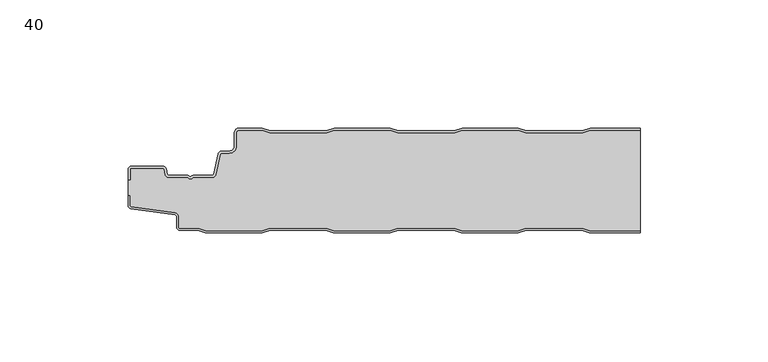
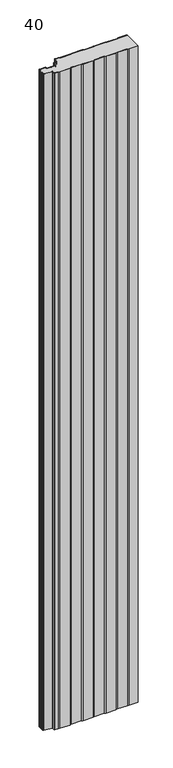
"""IFC4 building model written with IfcOpenShell, lengths in millimetres: plate geometry, 40."""

from ifc_helpers import new_model, si_unit, point, frame_2d, origin, origin_with_axes, place, context, project, spatial, polyline, circle_curve, trimmed, segment, composite_curve, outline, extrude, source, transform, mapped, element, save


def plate_40_c4e9f061(model_context):
    return source(origin(), model_context, "Body", "SweptSolid", [
        extrude(outline(composite_curve([segment(trimmed(circle_curve(frame_2d((-98.6, -16.2480681)), 1.4), [point((-100.0, -16.2480681))], [point((-98.6, -14.8480681))], False, "CARTESIAN"), True, "CONTINUOUS"), segment(polyline([(-98.6, -14.8480681), (-86.4969094, -14.8480681)]), True, "CONTINUOUS"), segment(trimmed(circle_curve(frame_2d((-86.4969094, -16.2480681)), 1.4), [point((-86.4969094, -14.8480681))], [point((-85.1275334, -15.9568477))], False, "CARTESIAN"), True, "CONTINUOUS"), segment(polyline([(-85.1275334, -15.9568477), (-84.6878192, -18.0244711)]), True, "CONTINUOUS"), segment(trimmed(circle_curve(frame_2d((-84.1011925, -17.8997153)), 0.5997457), [point((-84.6878192, -18.0244711))], [point((-84.1011925, -18.499461))], True, "CARTESIAN"), True, "CONTINUOUS"), segment(polyline([(-84.1011925, -18.499461), (-76.9006569, -18.499461)]), True, "CONTINUOUS"), segment(trimmed(circle_curve(frame_2d((-76.9006569, -19.799946)), 1.300485), [point((-76.9006569, -18.499461))], [point((-75.9808032, -18.8806362))], False, "CARTESIAN"), True, "CONTINUOUS"), segment(trimmed(circle_curve(frame_2d((-75.5877843, -18.5693125)), 0.5013845), [point((-75.9808032, -18.8806362))], [point((-75.2328971, -18.9234896))], True, "CARTESIAN"), True, "CONTINUOUS"), segment(trimmed(circle_curve(frame_2d((-74.2728751, -19.8002001)), 1.3001013), [point((-75.2328971, -18.9234896))], [point((-74.2728751, -18.5000988))], False, "CARTESIAN"), True, "CONTINUOUS"), segment(polyline([(-74.2728751, -18.5000988), (-67.0728572, -18.5000988)]), True, "CONTINUOUS"), segment(trimmed(circle_curve(frame_2d((-67.0728572, -17.9000522)), 0.6000466), [point((-67.0728572, -18.5000988))], [point((-66.4859224, -18.0248059))], True, "CARTESIAN"), True, "CONTINUOUS"), segment(polyline([(-66.4859224, -18.0248059), (-64.8033928, -10.1089305)]), True, "CONTINUOUS"), segment(trimmed(circle_curve(frame_2d((-63.4339847, -10.4)), 1.4), [point((-64.8033928, -10.1089305))], [point((-63.4339847, -9.0))], False, "CARTESIAN"), True, "CONTINUOUS"), segment(polyline([(-63.4339847, -9.0), (-60.4027062, -9.0)]), True, "CONTINUOUS"), segment(trimmed(circle_curve(frame_2d((-60.4027062, -7.1)), 1.9), [point((-60.4027062, -9.0))], [point((-58.5027062, -7.1))], True, "CARTESIAN"), True, "CONTINUOUS"), segment(polyline([(-58.5027062, -7.1), (-58.5027062, -2.0)]), True, "CONTINUOUS"), segment(trimmed(circle_curve(frame_2d((-56.5027062, -2.0)), 2.0), [point((-58.5027062, -2.0))], [point((-56.5027062, 0.0))], False, "CARTESIAN"), True, "CONTINUOUS"), segment(polyline([(-56.5027062, 0.0), (-47.5017452, 0.0), (-44.5017452, -1.0), (-22.5017452, -1.0), (-19.5017452, 0.0), (2.4982548, 0.0), (5.4982548, -1.0), (27.4982548, -1.0), (30.4982548, 0.0), (52.4982548, 0.0), (55.4982548, -1.0), (77.4982548, -1.0), (80.4982548, 0.0), (100.0, 0.0), (100.0, -0.8), (80.6280769, -0.8), (77.6280769, -1.8), (55.3684327, -1.8), (52.3684327, -0.8), (30.6280769, -0.8), (27.6280769, -1.8), (5.3684327, -1.8), (2.3684327, -0.8), (-19.3719231, -0.8), (-22.3719231, -1.8), (-44.6315673, -1.8), (-47.6315673, -0.8), (-56.5027062, -0.8)]), True, "CONTINUOUS"), segment(trimmed(circle_curve(frame_2d((-56.5027062, -2.0)), 1.2), [point((-56.5027062, -0.8))], [point((-57.7027062, -2.0))], True, "CARTESIAN"), True, "CONTINUOUS"), segment(polyline([(-57.7027062, -2.0), (-57.7027062, -7.1)]), True, "CONTINUOUS"), segment(trimmed(circle_curve(frame_2d((-60.4027062, -7.1)), 2.7), [point((-57.7027062, -7.1))], [point((-60.4027062, -9.8))], False, "CARTESIAN"), True, "CONTINUOUS"), segment(polyline([(-60.4027062, -9.8), (-63.4339847, -9.8)]), True, "CONTINUOUS"), segment(trimmed(circle_curve(frame_2d((-63.4339847, -10.4)), 0.6), [point((-63.4339847, -9.8))], [point((-64.0208733, -10.275253))], True, "CARTESIAN"), True, "CONTINUOUS"), segment(polyline([(-64.0208733, -10.275253), (-65.7034335, -18.1910764)]), True, "CONTINUOUS"), segment(trimmed(circle_curve(frame_2d((-67.0728401, -17.9)), 1.4), [point((-65.7034335, -18.1910764))], [point((-67.0728401, -19.3))], False, "CARTESIAN"), True, "CONTINUOUS"), segment(polyline([(-67.0728401, -19.3), (-74.5122154, -19.3)]), True, "CONTINUOUS"), segment(trimmed(circle_curve(frame_2d((-75.5869697, -18.5686292)), 1.3), [point((-74.5122154, -19.3))], [point((-76.6617239, -19.3))], False, "CARTESIAN"), True, "CONTINUOUS"), segment(polyline([(-76.6617239, -19.3), (-84.1010993, -19.3)]), True, "CONTINUOUS"), segment(trimmed(circle_curve(frame_2d((-84.1010993, -17.9)), 1.4), [point((-84.1010993, -19.3))], [point((-85.4705059, -18.1910764))], False, "CARTESIAN"), True, "CONTINUOUS"), segment(polyline([(-85.4705059, -18.1910764), (-85.9100208, -16.1233211)]), True, "CONTINUOUS"), segment(trimmed(circle_curve(frame_2d((-86.4969094, -16.2480681)), 0.6), [point((-85.9100208, -16.1233211))], [point((-86.4969094, -15.6480681))], True, "CARTESIAN"), True, "CONTINUOUS"), segment(polyline([(-86.4969094, -15.6480681), (-98.6, -15.6480681)]), True, "CONTINUOUS"), segment(trimmed(circle_curve(frame_2d((-98.6, -16.2480681)), 0.6), [point((-98.6, -15.6480681))], [point((-99.2, -16.2480681))], True, "CARTESIAN"), True, "CONTINUOUS"), segment(polyline([(-99.2, -16.2480681), (-99.2, -20.2482392), (-100.0, -20.2482392), (-100.0, -16.2480681)]), True, "CONTINUOUS")], self_intersect=False)), origin_with_axes(), (0.0, 0.0, 1.0), 1500.0),
        extrude(outline(composite_curve([segment(polyline([(-100.0, -26.3232445), (-100.0, -20.2482392), (-99.2, -20.2482392), (-99.2, -16.2480681)]), True, "CONTINUOUS"), segment(trimmed(circle_curve(frame_2d((-98.6, -16.2480681)), 0.6), [point((-99.2, -16.2480681))], [point((-98.6, -15.6480681))], False, "CARTESIAN"), True, "CONTINUOUS"), segment(polyline([(-98.6, -15.6480681), (-86.4969094, -15.6480681)]), True, "CONTINUOUS"), segment(trimmed(circle_curve(frame_2d((-86.4969094, -16.2480681)), 0.6), [point((-86.4969094, -15.6480681))], [point((-85.9100208, -16.1233211))], False, "CARTESIAN"), True, "CONTINUOUS"), segment(polyline([(-85.9100208, -16.1233211), (-85.4705059, -18.1910764)]), True, "CONTINUOUS"), segment(trimmed(circle_curve(frame_2d((-84.1010993, -17.9)), 1.4), [point((-85.4705059, -18.1910764))], [point((-84.1010993, -19.3))], True, "CARTESIAN"), True, "CONTINUOUS"), segment(polyline([(-84.1010993, -19.3), (-76.6617239, -19.3)]), True, "CONTINUOUS"), segment(trimmed(circle_curve(frame_2d((-75.5869697, -18.5686292)), 1.3), [point((-76.6617239, -19.3))], [point((-74.5122154, -19.3))], True, "CARTESIAN"), True, "CONTINUOUS"), segment(polyline([(-74.5122154, -19.3), (-67.0728401, -19.3)]), True, "CONTINUOUS"), segment(trimmed(circle_curve(frame_2d((-67.0728401, -17.9)), 1.4), [point((-67.0728401, -19.3))], [point((-65.7034335, -18.1910764))], True, "CARTESIAN"), True, "CONTINUOUS"), segment(polyline([(-65.7034335, -18.1910764), (-64.0208733, -10.275253)]), True, "CONTINUOUS"), segment(trimmed(circle_curve(frame_2d((-63.4339847, -10.4)), 0.6), [point((-64.0208733, -10.275253))], [point((-63.4339847, -9.8))], False, "CARTESIAN"), True, "CONTINUOUS"), segment(polyline([(-63.4339847, -9.8), (-60.4027062, -9.8)]), True, "CONTINUOUS"), segment(trimmed(circle_curve(frame_2d((-60.4027062, -7.1)), 2.7), [point((-60.4027062, -9.8))], [point((-57.7027062, -7.1))], True, "CARTESIAN"), True, "CONTINUOUS"), segment(polyline([(-57.7027062, -7.1), (-57.7027062, -2.0)]), True, "CONTINUOUS"), segment(trimmed(circle_curve(frame_2d((-56.5027062, -2.0)), 1.2), [point((-57.7027062, -2.0))], [point((-56.5027062, -0.8))], False, "CARTESIAN"), True, "CONTINUOUS"), segment(polyline([(-56.5027062, -0.8), (-47.6315673, -0.8), (-44.6315673, -1.8), (-22.3719231, -1.8), (-19.3719231, -0.8), (2.3684327, -0.8), (5.3684327, -1.8), (27.6280769, -1.8), (30.6280769, -0.8), (52.3684327, -0.8), (55.3684327, -1.8), (77.6280769, -1.8), (80.6280769, -0.8), (100.0, -0.8), (100.0, -40.2), (80.3684327, -40.2), (77.3684327, -39.2), (55.3684327, -39.2), (52.3684327, -40.2), (30.3684327, -40.2), (27.3684327, -39.2), (5.3684327, -39.2), (2.3684327, -40.2), (-19.6315673, -40.2), (-22.6315673, -39.2), (-44.6315673, -39.2), (-47.6315673, -40.2), (-69.6315673, -40.2), (-72.6315673, -39.2), (-79.7, -39.2)]), True, "CONTINUOUS"), segment(trimmed(circle_curve(frame_2d((-79.7, -38.7)), 0.5), [point((-79.7, -39.2))], [point((-80.2, -38.7))], False, "CARTESIAN"), True, "CONTINUOUS"), segment(polyline([(-80.2, -38.7), (-80.2, -34.6035317)]), True, "CONTINUOUS"), segment(trimmed(circle_curve(frame_2d((-81.7, -34.6035317)), 1.5), [point((-80.2, -34.6035317))], [point((-81.4911207, -33.1181464))], True, "CARTESIAN"), True, "CONTINUOUS"), segment(polyline([(-81.4911207, -33.1181464), (-98.6835517, -30.7004962)]), True, "CONTINUOUS"), segment(trimmed(circle_curve(frame_2d((-98.6, -30.1063421)), 0.6), [point((-98.6835517, -30.7004962))], [point((-99.2, -30.1063421))], False, "CARTESIAN"), True, "CONTINUOUS"), segment(polyline([(-99.2, -30.1063421), (-99.2, -26.3232445), (-100.0, -26.3232445)]), True, "CONTINUOUS")], self_intersect=False)), origin_with_axes(), (0.0, 0.0, 1.0), 1500.0),
        extrude(outline(composite_curve([segment(polyline([(-100.0, -26.3232445), (-99.2, -26.3232445), (-99.2, -30.1063421)]), True, "CONTINUOUS"), segment(trimmed(circle_curve(frame_2d((-98.6, -30.1063421)), 0.6), [point((-99.2, -30.1063421))], [point((-98.6835517, -30.7004962))], True, "CARTESIAN"), True, "CONTINUOUS"), segment(polyline([(-98.6835517, -30.7004962), (-81.4911207, -33.1181464)]), True, "CONTINUOUS"), segment(trimmed(circle_curve(frame_2d((-81.7, -34.6035317)), 1.5), [point((-81.4911207, -33.1181464))], [point((-80.2, -34.6035317))], False, "CARTESIAN"), True, "CONTINUOUS"), segment(polyline([(-80.2, -34.6035317), (-80.2, -38.7)]), True, "CONTINUOUS"), segment(trimmed(circle_curve(frame_2d((-79.7, -38.7)), 0.5), [point((-80.2, -38.7))], [point((-79.7, -39.2))], True, "CARTESIAN"), True, "CONTINUOUS"), segment(polyline([(-79.7, -39.2), (-72.6315673, -39.2), (-69.6315673, -40.2), (-47.6315673, -40.2), (-44.6315673, -39.2), (-22.6315673, -39.2), (-19.6315673, -40.2), (2.3684327, -40.2), (5.3684327, -39.2), (27.3684327, -39.2), (30.3684327, -40.2), (52.3684327, -40.2), (55.3684327, -39.2), (77.3684327, -39.2), (80.3684327, -40.2), (100.0, -40.2), (100.0, -41.0), (80.2386105, -41.0), (77.2386105, -40.0), (55.4982548, -40.0), (52.4982548, -41.0), (30.2386105, -41.0), (27.2386105, -40.0), (5.4982548, -40.0), (2.4982548, -41.0), (-19.7613895, -41.0), (-22.7613895, -40.0), (-44.5017452, -40.0), (-47.5017452, -41.0), (-69.7613895, -41.0), (-72.7613895, -40.0), (-79.7, -40.0)]), True, "CONTINUOUS"), segment(trimmed(circle_curve(frame_2d((-79.7, -38.7)), 1.3), [point((-79.7, -40.0))], [point((-81.0, -38.7))], False, "CARTESIAN"), True, "CONTINUOUS"), segment(polyline([(-81.0, -38.7), (-81.0, -34.6035317)]), True, "CONTINUOUS"), segment(trimmed(circle_curve(frame_2d((-81.7, -34.6035317)), 0.7), [point((-81.0, -34.6035317))], [point((-81.602523, -33.9103519))], True, "CARTESIAN"), True, "CONTINUOUS"), segment(polyline([(-81.602523, -33.9103519), (-98.8810287, -31.4805976)]), True, "CONTINUOUS"), segment(trimmed(circle_curve(frame_2d((-98.7, -30.1932637)), 1.3), [point((-98.8810287, -31.4805976))], [point((-100.0, -30.1932637))], False, "CARTESIAN"), True, "CONTINUOUS"), segment(polyline([(-100.0, -30.1932637), (-100.0, -26.3232445)]), True, "CONTINUOUS")], self_intersect=False)), origin_with_axes(), (0.0, 0.0, 1.0), 1500.0),
    ])


if __name__ == "__main__":
    model = new_model("IFC4")
    model_context = context("Model", 3, world=origin())
    ifc_project = project(units=[si_unit("LENGTHUNIT", "METRE", prefix="MILLI")], contexts=[model_context])
    site = spatial("IfcSite", under=ifc_project)
    building = spatial("IfcBuilding", under=site)
    placement = place(None, origin())
    plate_40_shape = plate_40_c4e9f061(model_context)
    element("IfcPlate", 1, ObjectType="40", at=placement, inside=building, context=model_context, shape_type="MappedRepresentation", body=[
        mapped(plate_40_shape, transform((0.0, 0.0, 0.0), x_axis=(1.0, 0.0, 0.0), y_axis=(0.0, 1.0, 0.0), z_axis=(0.0, 0.0, 1.0))),
    ])
    save(model, "model.ifc")
